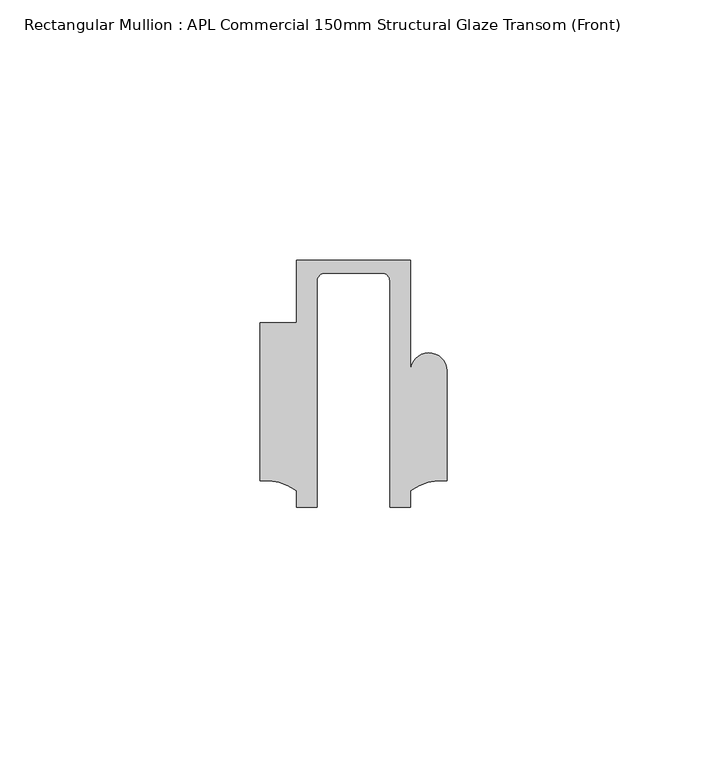
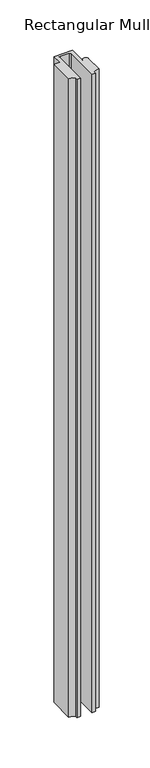
"""IFC4 building model written with IfcOpenShell, lengths in millimetres: member geometry, Rectangular Mullion : APL Commercial 150mm Structural Glaze Transom (Front)."""

from ifc_helpers import new_model, si_unit, frame, origin, place, context, project, spatial, polyline, circle_curve, source, transform, mapped, element, save
from ifc_brep_helpers import plane_surface, cylinder_surface, revolved_surface, advanced_brep


def rectangular_mullion_apl_commercial_150mm_structural_glaze_9a3dfa5b(model_context):
    return source(origin(), model_context, "Body", "AdvancedBrep", [
        advanced_brep(
        [(-11.0000151, 27.0, 0.0), (-11.0000151, 15.0006281, 0.0), (-17.9999542, 15.0006281, 0.0), (-17.9999542, -15.3797475, 0.0), (-10.9999994, -17.3125325, 0.0), (-10.9999994, -20.5, 0.0), (-6.9999853, -20.5, 0.0), (-6.9999853, 22.9976091, 0.0), (-5.4999873, 24.5, 0.0), (5.4999872, 24.5, 0.0), (6.9999849, 22.9973451, 0.0), (6.9999849, -20.5, 0.0), (11.0000151, -20.5, 0.0), (11.0000151, -17.3125212, 0.0), (17.9999542, -15.3797475, 0.0), (17.9999542, 5.684606, 0.0), (11.001071, 5.5848769, 0.0), (11.001071, 27.0, 0.0), (-11.0000151, 27.0, -804.1423288), (11.001071, 27.0, -804.1423288), (11.001071, 5.5848769, -804.1423288), (17.9999091, 5.6750512, -804.1423288), (17.9999542, -15.3797475, -804.1423288), (11.0000151, -17.3125212, -804.1423288), (11.0000151, -20.5, -804.1423288), (6.9999849, -20.5, -804.1423288), (6.9999849, 22.9973451, -804.1423288), (5.4999872, 24.5, -804.1423288), (-5.4999873, 24.5, -804.1423288), (-6.9999853, 22.9976091, -804.1423288), (-6.9999853, -20.5, -804.1423288), (-10.9999994, -20.5, -804.1423288), (-10.9999994, -17.3125325, -804.1423288), (-17.9999542, -15.3797475, -804.1423288), (-17.9999542, 15.0006281, -804.1423288), (-11.0000151, 15.0006281, -804.1423288)],
        [
            (0, 1),
            (1, 2),
            (2, 3),
            (3, 4, circle_curve(frame((-17.109817, -25.7981812, 0.0), z_axis=(0.0, 0.0, -1.0), x_axis=(0.0, 1.0, 0.0)), 10.4563907)),
            (4, 5),
            (5, 6),
            (6, 7),
            (7, 8, circle_curve(frame((-5.4999873, 23.0, 0.0), z_axis=(0.0, 0.0, -1.0), x_axis=(2.7320010112268853e-08, 0.9999999999999997, 0.0)), 1.5)),
            (8, 9),
            (9, 10, circle_curve(frame((5.4999872, 23.0, 0.0), z_axis=(0.0, 0.0, -1.0), x_axis=(0.9999999999999986, -5.463622857820516e-08, 0.0)), 1.5)),
            (10, 11),
            (11, 12),
            (12, 13),
            (13, 14, circle_curve(frame((17.109817, -25.7981812, 0.0), z_axis=(0.0, 0.0, -1.0), x_axis=(0.0, 1.0, 0.0)), 10.4563907)),
            (14, 15),
            (15, 16, circle_curve(frame((14.4999091, 5.6750512, 0.0), z_axis=(0.0, 0.0, 1.0), x_axis=(-0.9999826028573957, -0.005898642432633649, 0.0)), 3.5)),
            (16, 17),
            (17, 0),
            (18, 19),
            (19, 20),
            (20, 21, circle_curve(frame((14.4999091, 5.6750512, -804.1423288), z_axis=(0.0, 0.0, -1.0), x_axis=(-0.9999826028573957, -0.005898642432633649, 0.0)), 3.5)),
            (21, 22),
            (22, 23, circle_curve(frame((17.109817, -25.7981812, -804.1423288), z_axis=(0.0, 0.0, 1.0), x_axis=(0.0, 1.0, 0.0)), 10.4563907)),
            (23, 24),
            (24, 25),
            (25, 26),
            (26, 27, circle_curve(frame((5.4999872, 23.0, -804.1423288), z_axis=(0.0, 0.0, 1.0), x_axis=(0.9999999999999986, -5.463622857820516e-08, 0.0)), 1.5)),
            (27, 28),
            (28, 29, circle_curve(frame((-5.4999873, 23.0, -804.1423288), z_axis=(0.0, 0.0, 1.0), x_axis=(2.7320010112268853e-08, 0.9999999999999997, 0.0)), 1.5)),
            (29, 30),
            (30, 31),
            (31, 32),
            (32, 33, circle_curve(frame((-17.109817, -25.7981812, -804.1423288), z_axis=(0.0, 0.0, 1.0), x_axis=(0.0, 1.0, 0.0)), 10.4563907)),
            (33, 34),
            (34, 35),
            (35, 18),
            (0, 18),
            (35, 1),
            (34, 2),
            (33, 3),
            (32, 4),
            (31, 5),
            (30, 6),
            (29, 7),
            (28, 8),
            (27, 9),
            (26, 10),
            (25, 11),
            (24, 12),
            (23, 13),
            (22, 14),
            (21, 15),
            (20, 16),
            (19, 17),
        ],
        [
            plane_surface(frame((0.0, -29.1551636, 0.0), z_axis=(0.0, 0.0, 1.0), x_axis=(-1.0, 0.0, 0.0))),
            plane_surface(frame((0.0, -29.1551636, -804.1423288), z_axis=(0.0, 0.0, -1.0), x_axis=(-1.0, 0.0, 0.0))),
            plane_surface(frame((-11.0000151, 27.0, 0.0), z_axis=(-1.0, 0.0, 0.0), x_axis=(0.0, 0.0, -1.0))),
            plane_surface(frame((-11.0000151, 15.0006281, 0.0), z_axis=(0.0, 1.0, 0.0), x_axis=(0.0, 0.0, -1.0))),
            plane_surface(frame((-17.9999542, 15.0006281, 0.0), z_axis=(-1.0, 0.0, 0.0), x_axis=(0.0, 0.0, -1.0))),
            revolved_surface(polyline([(-17.109817, -15.341790499999998, -804.1423288), (-17.109817, -15.341790499999998, 0.0)]), (-17.109817, -25.7981812, 0.0), (0.0, 0.0, -1.0)),
            plane_surface(frame((-10.9999994, -17.3125325, 0.0), z_axis=(-1.0, 0.0, 0.0), x_axis=(0.0, 0.0, -1.0))),
            plane_surface(frame((-10.9999994, -20.5, 0.0), z_axis=(0.0, -1.0, 0.0), x_axis=(0.0, 0.0, -1.0))),
            plane_surface(frame((-6.9999853, -20.5, 0.0), z_axis=(1.0, 0.0, 0.0), x_axis=(0.0, 0.0, -1.0))),
            revolved_surface(polyline([(-5.499987259019985, 24.5, -804.1423288), (-5.499987259019985, 24.5, 0.0)]), (-5.4999873, 23.0, 0.0), (0.0, 0.0, -1.0)),
            plane_surface(frame((-5.4999873, 24.5, 0.0), z_axis=(0.0, -1.0, 0.0), x_axis=(0.0, 0.0, -1.0))),
            revolved_surface(polyline([(6.999987199999998, 22.999999918045656, -804.1423288), (6.999987199999998, 22.999999918045656, 0.0)]), (5.4999872, 23.0, 0.0), (0.0, 0.0, -1.0)),
            plane_surface(frame((6.9999849, 22.9973451, 0.0), z_axis=(-1.0, 0.0, 0.0), x_axis=(0.0, 0.0, -1.0))),
            plane_surface(frame((6.9999849, -20.5, 0.0), z_axis=(0.0, -1.0, 0.0), x_axis=(0.0, 0.0, -1.0))),
            plane_surface(frame((11.0000151, -20.5, 0.0), z_axis=(1.0, 0.0, 0.0), x_axis=(0.0, 0.0, -1.0))),
            revolved_surface(polyline([(17.109817, -15.341790499999998, -804.1423288), (17.109817, -15.341790499999998, 0.0)]), (17.109817, -25.7981812, 0.0), (0.0, 0.0, -1.0)),
            plane_surface(frame((17.9999542, -15.3797475, 0.0), z_axis=(1.0, 0.0, 0.0), x_axis=(0.0, 0.0, -1.0))),
            cylinder_surface(frame((14.4999091, 5.6750512, 0.0), z_axis=(0.0, 0.0, 1.0), x_axis=(-0.9999826028573957, -0.005898642432633649, 0.0)), 3.5),
            plane_surface(frame((11.001071, 5.5848769, 0.0), z_axis=(1.0, 0.0, 0.0), x_axis=(0.0, 0.0, -1.0))),
            plane_surface(frame((11.001071, 27.0, 0.0), z_axis=(0.0, 1.0, 0.0), x_axis=(0.0, 0.0, -1.0))),
        ],
        [
            (0, [[1, 2, 3, 4, 5, 6, 7, 8, 9, 10, 11, 12, 13, 14, 15, 16, 17, 18]]),
            (1, [[19, 20, 21, 22, 23, 24, 25, 26, 27, 28, 29, 30, 31, 32, 33, 34, 35, 36]]),
            (2, [[-1, 37, -36, 38]]),
            (3, [[-2, -38, -35, 39]]),
            (4, [[-3, -39, -34, 40]]),
            (5, [[-4, -40, -33, 41]]),
            (6, [[-5, -41, -32, 42]]),
            (7, [[-6, -42, -31, 43]]),
            (8, [[-7, -43, -30, 44]]),
            (9, [[-8, -44, -29, 45]]),
            (10, [[-9, -45, -28, 46]]),
            (11, [[-10, -46, -27, 47]]),
            (12, [[-11, -47, -26, 48]]),
            (13, [[-12, -48, -25, 49]]),
            (14, [[-13, -49, -24, 50]]),
            (15, [[-14, -50, -23, 51]]),
            (16, [[-15, -51, -22, 52]]),
            (17, [[-16, -52, -21, 53]]),
            (18, [[-17, -53, -20, 54]]),
            (19, [[-18, -54, -19, -37]]),
        ],
    ),
    ])


if __name__ == "__main__":
    model = new_model("IFC4")
    model_context = context("Model", 3, world=origin())
    ifc_project = project(units=[si_unit("LENGTHUNIT", "METRE", prefix="MILLI")], contexts=[model_context])
    site = spatial("IfcSite", under=ifc_project)
    building = spatial("IfcBuilding", under=site)
    placement = place(None, origin())
    rectangular_mullion_apl_commercial_150mm_structural_glaze_shape = rectangular_mullion_apl_commercial_150mm_structural_glaze_9a3dfa5b(model_context)
    element("IfcMember", 1, ObjectType="Rectangular Mullion : APL Commercial 150mm Structural Glaze Transom (Front)", at=placement, inside=building, context=model_context, shape_type="MappedRepresentation", body=[
        mapped(rectangular_mullion_apl_commercial_150mm_structural_glaze_shape, transform((0.0, 0.0, 0.0), x_axis=(1.0, 0.0, 0.0), y_axis=(0.0, 1.0, 0.0), z_axis=(0.0, 0.0, 1.0))),
    ])
    save(model, "model.ifc")
